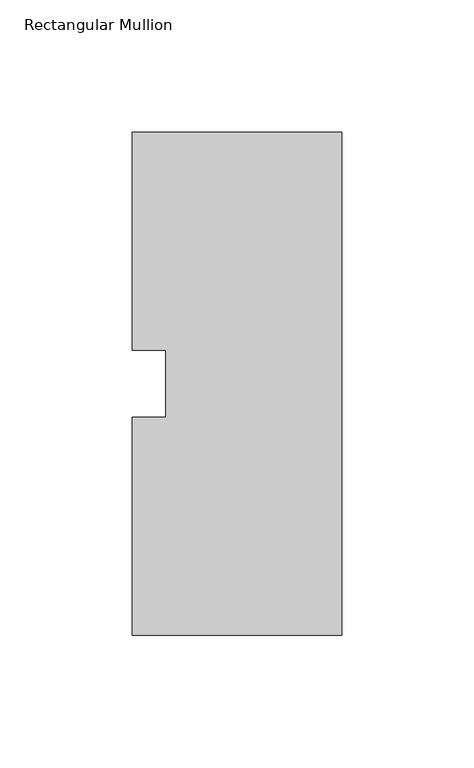
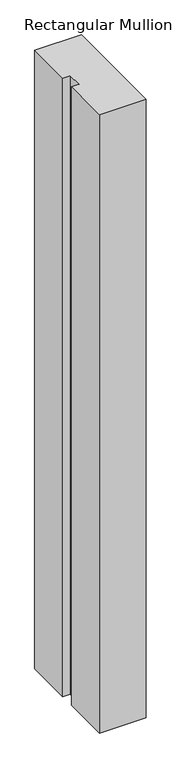
"""IFC4 building model written with IfcOpenShell, lengths in millimetres: member geometry, Rectangular Mullion."""

from ifc_helpers import new_model, si_unit, frame, origin, place, context, project, spatial, polyline, outline, extrude, source, transform, mapped, element, save


def rectangular_mullion_3a393bc6(model_context):
    return source(origin(), model_context, "Body", "SweptSolid", [
        extrude(outline(polyline([(-79.375, 95.25), (0.0, 95.25), (0.0, -95.25), (-79.375, -95.25), (-79.375, -12.7), (-66.6732296, -12.7), (-66.6732296, 12.7), (-79.375, 12.7), (-79.375, 95.25)])), frame((0.0, 0.0, -1111.25), z_axis=(0.0, 0.0, 1.0), x_axis=(1.0, 0.0, 0.0)), (0.0, 0.0, 1.0), 1111.25),
    ])


if __name__ == "__main__":
    model = new_model("IFC4")
    model_context = context("Model", 3, world=origin())
    ifc_project = project(units=[si_unit("LENGTHUNIT", "METRE", prefix="MILLI")], contexts=[model_context])
    site = spatial("IfcSite", under=ifc_project)
    building = spatial("IfcBuilding", under=site)
    placement = place(None, origin())
    rectangular_mullion_shape = rectangular_mullion_3a393bc6(model_context)
    element("IfcMember", 1, ObjectType="Rectangular Mullion", at=placement, inside=building, context=model_context, shape_type="MappedRepresentation", body=[
        mapped(rectangular_mullion_shape, transform((0.0, 0.0, 0.0), x_axis=(1.0, 0.0, 0.0), y_axis=(0.0, 1.0, 0.0), z_axis=(0.0, 0.0, 1.0))),
    ])
    save(model, "model.ifc")
